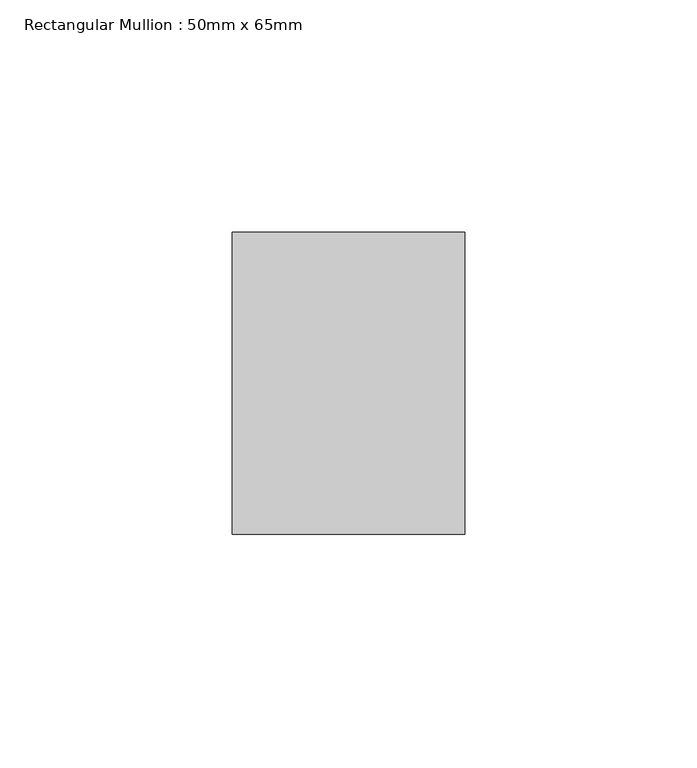
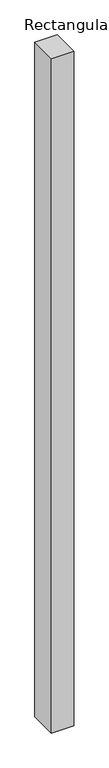
"""IFC4 building model written with IfcOpenShell, lengths in millimetres: member geometry, Rectangular Mullion : 50mm x 65mm."""

from ifc_helpers import new_model, si_unit, frame, origin, place, context, project, spatial, polyline, outline, extrude, source, transform, mapped, element, save


def rectangular_mullion_50mm_x_65mm_aa67a514(model_context):
    return source(origin(), model_context, "Body", "SweptSolid", [
        extrude(outline(polyline([(25.0, 32.5), (25.0, -32.5), (-25.0, -32.5), (-25.0, 32.5), (25.0, 32.5)])), frame((0.0, 0.0, -1612.9644455), z_axis=(0.0, 0.0, 1.0), x_axis=(1.0, 0.0, 0.0)), (0.0, 0.0, 1.0), 1612.9644455),
    ])


if __name__ == "__main__":
    model = new_model("IFC4")
    model_context = context("Model", 3, world=origin())
    ifc_project = project(units=[si_unit("LENGTHUNIT", "METRE", prefix="MILLI")], contexts=[model_context])
    site = spatial("IfcSite", under=ifc_project)
    building = spatial("IfcBuilding", under=site)
    placement = place(None, origin())
    rectangular_mullion_50mm_x_65mm_shape = rectangular_mullion_50mm_x_65mm_aa67a514(model_context)
    element("IfcMember", 1, ObjectType="Rectangular Mullion : 50mm x 65mm", at=placement, inside=building, context=model_context, shape_type="MappedRepresentation", body=[
        mapped(rectangular_mullion_50mm_x_65mm_shape, transform((0.0, 0.0, 0.0), x_axis=(1.0, 0.0, 0.0), y_axis=(0.0, 1.0, 0.0), z_axis=(0.0, 0.0, 1.0))),
    ])
    save(model, "model.ifc")
